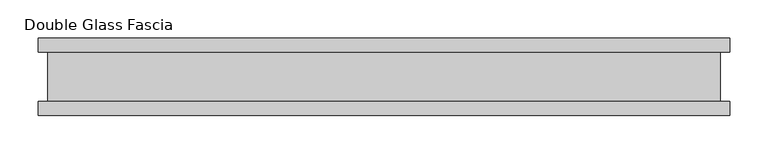
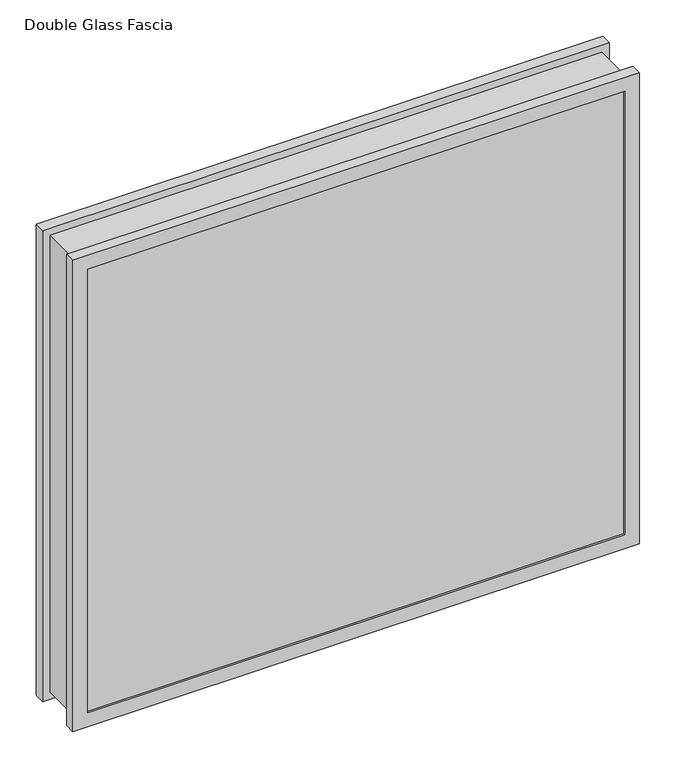
"""IFC4 building model written with IfcOpenShell, lengths in millimetres: proxy geometry, Double Glass Fascia."""

from ifc_helpers import new_model, si_unit, frame, origin, place, context, project, spatial, polyline, outline, extrude, faceted_brep, source, transform, mapped, element, save


def double_glass_fascia_10af1489(model_context):
    return source(origin(), model_context, "Body", "SolidModel", [
        faceted_brep([(437.1140848, 32.4352299, 780.4920849), (437.1140848, -32.4352299, 780.4920849), (437.1140848, -32.4352299, 15.0359151), (437.1140848, 32.4352299, 15.0359151), (-437.1140848, -32.4352299, 15.0359151), (-437.1140848, 32.4352299, 15.0359151), (-437.1140848, -32.4352299, 780.4920849), (-437.1140848, 32.4352299, 780.4920849), (425.9371999, -38.8962152, 769.3152), (425.9371999, 38.8962152, 769.3152), (425.9371999, 38.8962152, 26.2128), (425.9371999, -38.8962152, 26.2128), (442.6718392, -47.1322551, 786.0498392), (442.6718392, -38.8962152, 786.0498392), (442.6718392, -38.8962152, 9.4781608), (442.6718392, -47.1322551, 9.4781608), (425.7593999, -50.0558594, 769.1374), (425.7593999, -47.1322551, 769.1374), (425.7593999, -47.1322551, 26.3906), (425.7593999, -50.0558594, 26.3906), (448.9749999, -32.4352299, 792.353), (448.9749999, -50.0558594, 792.353), (448.9749999, -50.0558594, 3.175), (448.9749999, -32.4352299, 3.175), (-425.9371999, 38.8962152, 26.2128), (-425.9371999, -38.8962152, 26.2128), (-442.6718392, -38.8962152, 9.4781608), (-442.6718392, -47.1322551, 9.4781608), (-425.7593999, -47.1322551, 26.3906), (-425.7593999, -50.0558594, 26.3906), (-448.9749999, -50.0558594, 3.175), (-448.9749999, -32.4352299, 3.175), (-425.9371999, 38.8962152, 769.3152), (-425.9371999, -38.8962152, 769.3152), (-442.6718392, -38.8962152, 786.0498392), (-442.6718392, -47.1322551, 786.0498392), (-425.7593999, -47.1322551, 769.1374), (-425.7593999, -50.0558594, 769.1374), (-448.9749999, -50.0558594, 792.353), (-448.9749999, -32.4352299, 792.353), (448.9749999, 50.0558594, 792.353), (448.9749999, 32.4352299, 792.353), (448.9749999, 32.4352299, 3.175), (448.9749999, 50.0558594, 3.175), (425.9371999, 47.1322551, 769.3152), (425.9371999, 50.0558594, 769.3152), (425.9371999, 50.0558594, 26.2128), (425.9371999, 47.1322551, 26.2128), (442.6718392, 38.8962152, 786.0498392), (442.6718392, 47.1322551, 786.0498392), (442.6718392, 47.1322551, 9.4781608), (442.6718392, 38.8962152, 9.4781608), (-448.9749999, 32.4352299, 3.175), (-448.9749999, 50.0558594, 3.175), (-425.9371999, 50.0558594, 26.2128), (-425.9371999, 47.1322551, 26.2128), (-442.6718392, 47.1322551, 9.4781608), (-442.6718392, 38.8962152, 9.4781608), (-448.9749999, 32.4352299, 792.353), (-448.9749999, 50.0558594, 792.353), (-425.9371999, 50.0558594, 769.3152), (-425.9371999, 47.1322551, 769.3152), (-442.6718392, 47.1322551, 786.0498392), (-442.6718392, 38.8962152, 786.0498392)], [[[0, 1, 2, 3]], [[3, 2, 4, 5]], [[5, 4, 6, 7]], [[7, 6, 1, 0]], [[8, 9, 10, 11]], [[12, 13, 14, 15]], [[16, 17, 18, 19]], [[20, 21, 22, 23]], [[11, 10, 24, 25]], [[15, 14, 26, 27]], [[19, 18, 28, 29]], [[23, 22, 30, 31]], [[25, 24, 32, 33]], [[27, 26, 34, 35]], [[29, 28, 36, 37]], [[31, 30, 38, 39]], [[33, 32, 9, 8]], [[13, 34, 26, 14], [11, 25, 33, 8]], [[35, 34, 13, 12]], [[15, 27, 35, 12], [17, 36, 28, 18]], [[37, 36, 17, 16]], [[21, 38, 30, 22], [19, 29, 37, 16]], [[39, 38, 21, 20]], [[23, 31, 39, 20], [1, 6, 4, 2]], [[40, 41, 42, 43]], [[44, 45, 46, 47]], [[48, 49, 50, 51]], [[43, 42, 52, 53]], [[47, 46, 54, 55]], [[51, 50, 56, 57]], [[53, 52, 58, 59]], [[55, 54, 60, 61]], [[57, 56, 62, 63]], [[41, 58, 52, 42], [3, 5, 7, 0]], [[59, 58, 41, 40]], [[43, 53, 59, 40], [45, 60, 54, 46]], [[61, 60, 45, 44]], [[49, 62, 56, 50], [47, 55, 61, 44]], [[63, 62, 49, 48]], [[51, 57, 63, 48], [9, 32, 24, 10]]]),
        extrude(outline(polyline([(438.15, -40.9277344), (438.15, -46.8808594), (-438.15, -46.8808594), (-438.15, -40.9277344), (438.15, -40.9277344)])), frame((0.0, 0.0, 5.3275263), z_axis=(0.0, 0.0, 1.0), x_axis=(1.0, 0.0, 0.0)), (0.0, 0.0, 1.0), 784.378928),
        extrude(outline(polyline([(438.15, 41.1791301), (-438.15, 41.1791301), (-438.15, 47.1322551), (438.15, 47.1322551), (438.15, 41.1791301)])), frame((0.0, 0.0, 5.3275263), z_axis=(0.0, 0.0, 1.0), x_axis=(1.0, 0.0, 0.0)), (0.0, 0.0, 1.0), 784.378928),
    ])


if __name__ == "__main__":
    model = new_model("IFC4")
    model_context = context("Model", 3, world=origin())
    ifc_project = project(units=[si_unit("LENGTHUNIT", "METRE", prefix="MILLI")], contexts=[model_context])
    site = spatial("IfcSite", under=ifc_project)
    building = spatial("IfcBuilding", under=site)
    placement = place(None, origin())
    double_glass_fascia_shape = double_glass_fascia_10af1489(model_context)
    element("IfcBuildingElementProxy", 1, Name="Double Glass Fascia", ObjectType="Double Glass Fascia", at=placement, inside=building, context=model_context, shape_type="MappedRepresentation", body=[
        mapped(double_glass_fascia_shape, transform((0.0, 0.0, 0.0), x_axis=(1.0, 0.0, 0.0), y_axis=(0.0, 1.0, 0.0), z_axis=(0.0, 0.0, 1.0))),
    ])
    save(model, "model.ifc")
